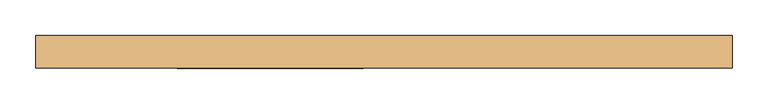
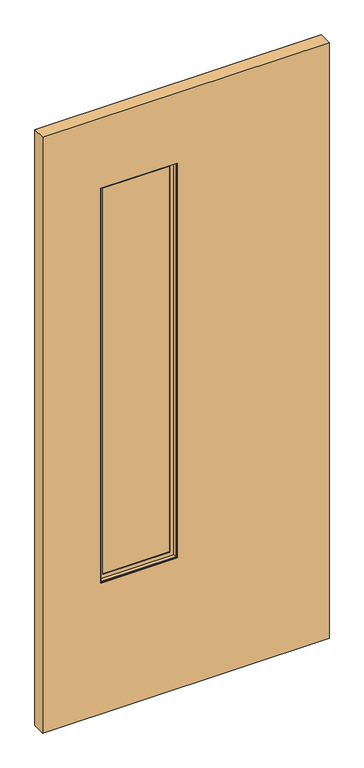
"""IFC4 building model written with IfcOpenShell, lengths in millimetres: door geometry."""

from ifc_helpers import new_model, si_unit, frame, origin, place, context, project, spatial, polyline, outline, extrude, faceted_brep, source, transform, mapped, element, save


def door_305da3fc(model_context):
    return source(origin(), model_context, "Body", "SolidModel", [
        extrude(outline(polyline([(-29.4464326, -3.175), (-291.0664326, -3.175), (-291.0664326, 3.175), (-29.4464326, 3.175), (-29.4464326, -3.175)])), frame((0.0, 0.0, 486.1435027), z_axis=(0.0, 0.0, 1.0), x_axis=(1.0, 0.0, 0.0)), (0.0, 0.0, 1.0), 1430.02),
        faceted_brep([(-275.1758536, 3.797467, 1900.2729238), (-275.1758536, 3.797467, 502.0340817), (-275.1758536, 6.9755828, 502.0340817), (-275.1758536, 6.9755828, 1900.2729238), (-45.3370115, 3.797467, 502.0340817), (-45.3370115, 6.9755828, 502.0340817), (-32.6245484, 6.9755828, 489.3216185), (-287.8883168, 6.9755828, 489.3216185), (-287.8883168, 6.9755828, 1912.9853869), (-32.6245484, 6.9755828, 1912.9853869), (-45.3370115, 6.9755828, 1900.2729238), (-45.3370115, 3.797467, 1900.2729238), (-291.0664326, 3.797467, 486.1435027), (-29.4464326, 3.797467, 486.1435027), (-29.4464326, 3.797467, 1916.1635027), (-291.0664326, 3.797467, 1916.1635027), (-291.0664326, 19.688046, 1916.1635027), (-291.0664326, 19.688046, 486.1435027), (-29.4464326, 19.688046, 486.1435027), (-29.4464326, 19.688046, 1916.1635027), (-287.8883168, 19.688046, 489.3216185), (-32.6245484, 19.688046, 489.3216185), (-32.6245484, 19.688046, 1912.9853869), (-287.8883168, 19.688046, 1912.9853869)], [[[0, 1, 2, 3]], [[1, 4, 5, 2]], [[6, 7, 8, 9], [2, 5, 10, 3]], [[4, 11, 10, 5]], [[12, 13, 14, 15], [4, 1, 0, 11]], [[16, 17, 12, 15]], [[17, 18, 13, 12]], [[18, 19, 14, 13]], [[18, 17, 16, 19], [20, 21, 22, 23]], [[8, 7, 20, 23]], [[7, 6, 21, 20]], [[6, 9, 22, 21]], [[11, 0, 3, 10]], [[19, 16, 15, 14]], [[9, 8, 23, 22]]]),
        faceted_brep([(-287.8883168, -19.688046, 1912.9853869), (-287.8883168, -19.688046, 489.3216185), (-287.8883168, -6.9755828, 489.3216185), (-287.8883168, -6.9755828, 1912.9853869), (-32.6245484, -19.688046, 489.3216185), (-32.6245484, -6.9755828, 489.3216185), (-32.6245484, -6.9755828, 1912.9853869), (-45.3370115, -6.9755828, 502.0340817), (-275.1758536, -6.9755828, 502.0340817), (-275.1758536, -6.9755828, 1900.2729238), (-45.3370115, -6.9755828, 1900.2729238), (-32.6245484, -19.688046, 1912.9853869), (-291.0664326, -19.688046, 486.1435027), (-29.4464326, -19.688046, 486.1435027), (-29.4464326, -19.688046, 1916.1635027), (-291.0664326, -19.688046, 1916.1635027), (-291.0664326, -3.797467, 1916.1635027), (-291.0664326, -3.797467, 486.1435027), (-29.4464326, -3.797467, 486.1435027), (-29.4464326, -3.797467, 1916.1635027), (-275.1758536, -3.797467, 502.0340817), (-45.3370115, -3.797467, 502.0340817), (-45.3370115, -3.797467, 1900.2729238), (-275.1758536, -3.797467, 1900.2729238)], [[[0, 1, 2, 3]], [[1, 4, 5, 2]], [[2, 5, 6, 3], [7, 8, 9, 10]], [[4, 11, 6, 5]], [[12, 13, 14, 15], [4, 1, 0, 11]], [[16, 17, 12, 15]], [[17, 18, 13, 12]], [[18, 19, 14, 13]], [[18, 17, 16, 19], [20, 21, 22, 23]], [[9, 8, 20, 23]], [[8, 7, 21, 20]], [[7, 10, 22, 21]], [[11, 0, 3, 6]], [[19, 16, 15, 14]], [[10, 9, 23, 22]]]),
        extrude(outline(polyline([(2170.1635027, -490.4564326), (12.7, -490.4564326), (12.7, 490.4564326), (2170.1635027, 490.4564326), (2170.1635027, -490.4564326)]), holes=[polyline([(1916.1635027, -29.4464326), (486.1435027, -29.4464326), (486.1435027, -291.0664326), (1916.1635027, -291.0664326), (1916.1635027, -29.4464326)])]), frame((0.0, -23.114, 0.0), z_axis=(0.0, 1.0, 0.0), x_axis=(0.0, 0.0, 1.0)), (0.0, 0.0, 1.0), 46.228),
        extrude(outline(polyline([(465.0564326, 9.8925062), (-465.0564326, 9.8925062), (-465.0564326, 11.4927062), (465.0564326, 11.4927062), (465.0564326, 9.8925062)])), frame((0.0, 0.0, 12.7), z_axis=(0.0, 0.0, 1.0), x_axis=(1.0, 0.0, 0.0)), (0.0, 0.0, 1.0), 254.0),
        extrude(outline(polyline([(465.0564326, 21.5634094), (-465.0564326, 21.5634094), (-465.0564326, 23.114), (465.0564326, 23.114), (465.0564326, 21.5634094)])), frame((0.0, 0.0, 12.7), z_axis=(0.0, 0.0, 1.0), x_axis=(1.0, 0.0, 0.0)), (0.0, 0.0, 1.0), 254.0),
    ])


if __name__ == "__main__":
    model = new_model("IFC4")
    model_context = context("Model", 3, world=origin())
    ifc_project = project(units=[si_unit("LENGTHUNIT", "METRE", prefix="MILLI")], contexts=[model_context])
    site = spatial("IfcSite", under=ifc_project)
    building = spatial("IfcBuilding", under=site)
    placement = place(None, origin())
    door_shape = door_305da3fc(model_context)
    element("IfcDoor", 1, at=placement, inside=building, context=model_context, shape_type="MappedRepresentation", body=[
        mapped(door_shape, transform((0.0, 0.0, 0.0), x_axis=(1.0, 0.0, 0.0), y_axis=(0.0, 1.0, 0.0), z_axis=(0.0, 0.0, 1.0))),
    ])
    save(model, "model.ifc")
